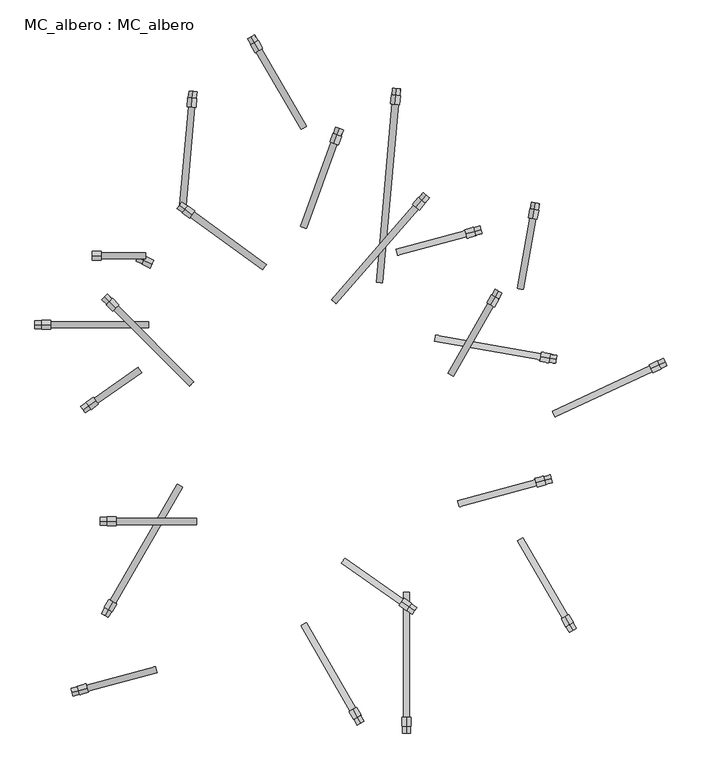
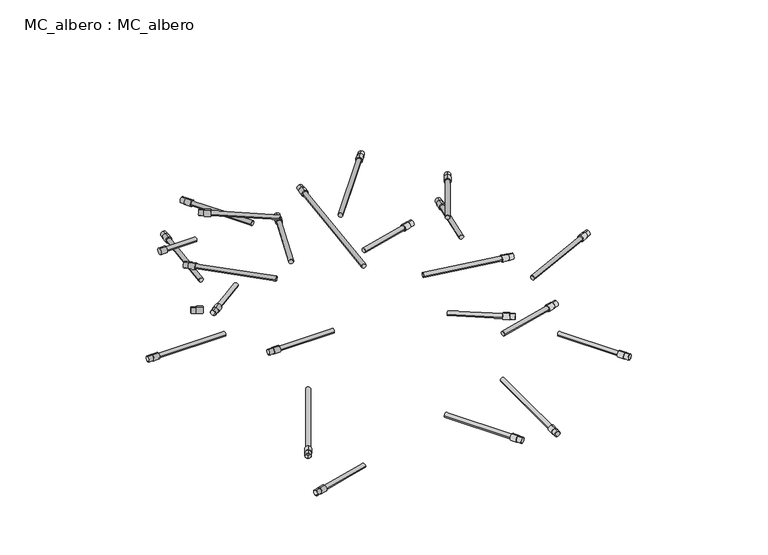
"""IFC4 building model written with IfcOpenShell, lengths in millimetres: proxy geometry, MC_albero : MC_albero."""

from ifc_helpers import new_model, si_unit, point, frame, frame_2d, origin, place, context, project, spatial, circle_curve, trimmed, segment, composite_curve, outline, extrude, source, transform, mapped, element, save


def mc_albero_mc_albero_f0767c21(model_context):
    return source(origin(), model_context, "Body", "SweptSolid", [
        extrude(outline(composite_curve([segment(trimmed(circle_curve(frame_2d((353.9264387, 609.4441846)), 10.0), [point((353.9264387, 619.4441846))], [point((353.9264387, 599.4441846))], False, "CARTESIAN"), True, "CONTINUOUS"), segment(trimmed(circle_curve(frame_2d((353.9264387, 609.4441846)), 10.0), [point((353.9264387, 599.4441846))], [point((353.9264387, 619.4441846))], False, "CARTESIAN"), True, "CONTINUOUS")], self_intersect=False)), frame((-473.1412067, 0.0, 0.0), z_axis=(1.0, 0.0, 0.0), x_axis=(0.0, 1.0, 0.0)), (0.0, 0.0, 1.0), 20.0),
        extrude(outline(composite_curve([segment(trimmed(circle_curve(frame_2d((353.9264387, 609.4441846)), 7.0), [point((360.9264387, 609.4441846))], [point((346.9264387, 609.4441846))], False, "CARTESIAN"), True, "CONTINUOUS"), segment(trimmed(circle_curve(frame_2d((353.9264387, 609.4441846)), 7.0), [point((346.9264387, 609.4441846))], [point((360.9264387, 609.4441846))], False, "CARTESIAN"), True, "CONTINUOUS")], self_intersect=False)), frame((-453.1412067, 0.0, 0.0), z_axis=(1.0, 0.0, 0.0), x_axis=(0.0, 1.0, 0.0)), (0.0, 0.0, 1.0), 100.0),
        extrude(outline(composite_curve([segment(trimmed(circle_curve(frame_2d((0.0, -9.0)), 9.0), [point((0.0, -18.0))], [point((0.0, 0.0))], False, "CARTESIAN"), True, "CONTINUOUS"), segment(trimmed(circle_curve(frame_2d((0.0, -9.0)), 9.0), [point((0.0, 0.0))], [point((0.0, -18.0))], False, "CARTESIAN"), True, "CONTINUOUS")], self_intersect=False), holes=[composite_curve([segment(trimmed(circle_curve(frame_2d((0.0, -9.0)), 8.5), [point((0.0, -17.5))], [point((0.0, -0.5))], True, "CARTESIAN"), True, "CONTINUOUS"), segment(trimmed(circle_curve(frame_2d((0.0, -9.0)), 8.5), [point((0.0, -0.5))], [point((0.0, -17.5))], True, "CARTESIAN"), True, "CONTINUOUS")], self_intersect=False)]), frame((-434.576294, 251.5137629, 600.4441846), z_axis=(-0.707106781186546, 0.7071067811865491, 0.0), x_axis=(0.7071067811865491, 0.707106781186546, 0.0)), (0.0, 0.0, 1.0), 15.0),
        extrude(outline(composite_curve([segment(trimmed(circle_curve(frame_2d((0.0, -10.0)), 10.0), [point((0.0, -20.0))], [point((0.0, 0.0))], False, "CARTESIAN"), True, "CONTINUOUS"), segment(trimmed(circle_curve(frame_2d((0.0, -10.0)), 10.0), [point((0.0, 0.0))], [point((0.0, -20.0))], False, "CARTESIAN"), True, "CONTINUOUS")], self_intersect=False)), frame((-420.4341584, 237.3716273, 599.4441846), z_axis=(-0.707106781186546, 0.7071067811865491, 0.0), x_axis=(0.7071067811865491, 0.707106781186546, 0.0)), (0.0, 0.0, 1.0), 20.0),
        extrude(outline(composite_curve([segment(trimmed(circle_curve(frame_2d((0.0, -7.0)), 7.0), [point((0.0, -14.0))], [point((0.0, 0.0))], False, "CARTESIAN"), True, "CONTINUOUS"), segment(trimmed(circle_curve(frame_2d((0.0, -7.0)), 7.0), [point((0.0, 0.0))], [point((0.0, -14.0))], False, "CARTESIAN"), True, "CONTINUOUS")], self_intersect=False)), frame((-255.6782784, 62.7162524, 609.4441846), z_axis=(-0.707106781186546, 0.7071067811865491, 0.0), x_axis=(0.0, 0.0, -1.0)), (0.0, 0.0, 1.0), 240.0),
        extrude(outline(composite_curve([segment(trimmed(circle_curve(frame_2d((0.0, -9.0)), 9.0), [point((0.0, -18.0))], [point((0.0, 0.0))], False, "CARTESIAN"), True, "CONTINUOUS"), segment(trimmed(circle_curve(frame_2d((0.0, -9.0)), 9.0), [point((0.0, 0.0))], [point((0.0, -18.0))], False, "CARTESIAN"), True, "CONTINUOUS")], self_intersect=False), holes=[composite_curve([segment(trimmed(circle_curve(frame_2d((0.0, -9.0)), 8.5), [point((0.0, -17.5))], [point((0.0, -0.5))], True, "CARTESIAN"), True, "CONTINUOUS"), segment(trimmed(circle_curve(frame_2d((0.0, -9.0)), 8.5), [point((0.0, -0.5))], [point((0.0, -17.5))], True, "CARTESIAN"), True, "CONTINUOUS")], self_intersect=False)]), frame((428.8269649, 261.5766042, 600.4441846), z_axis=(0.5000000000000008, 0.8660254037844383, 0.0), x_axis=(0.8660254037844383, -0.5000000000000008, 0.0)), (0.0, 0.0, 1.0), 15.0),
        extrude(outline(composite_curve([segment(trimmed(circle_curve(frame_2d((0.0, -10.0)), 10.0), [point((0.0, -20.0))], [point((0.0, 0.0))], False, "CARTESIAN"), True, "CONTINUOUS"), segment(trimmed(circle_curve(frame_2d((0.0, -10.0)), 10.0), [point((0.0, 0.0))], [point((0.0, -20.0))], False, "CARTESIAN"), True, "CONTINUOUS")], self_intersect=False)), frame((418.8269649, 244.2560961, 599.4441846), z_axis=(0.5000000000000008, 0.8660254037844383, 0.0), x_axis=(0.8660254037844383, -0.5000000000000008, 0.0)), (0.0, 0.0, 1.0), 20.0),
        extrude(outline(composite_curve([segment(trimmed(circle_curve(frame_2d((0.0, -7.0000001)), 7.0), [point((0.0, -14.0))], [point((0.0, 0.0))], False, "CARTESIAN"), True, "CONTINUOUS"), segment(trimmed(circle_curve(frame_2d((0.0, -7.0000001)), 7.0), [point((0.0, 0.0))], [point((0.0, -14.0))], False, "CARTESIAN"), True, "CONTINUOUS")], self_intersect=False)), frame((322.764787, 91.8715234, 609.4441846), z_axis=(0.5000000000000008, 0.8660254037844383, 0.0), x_axis=(0.0, 0.0, -1.0)), (0.0, 0.0, 1.0), 180.0),
        extrude(outline(composite_curve([segment(trimmed(circle_curve(frame_2d((0.0, -9.0)), 9.0), [point((0.0, -18.0))], [point((0.0, 0.0))], False, "CARTESIAN"), True, "CONTINUOUS"), segment(trimmed(circle_curve(frame_2d((0.0, -9.0)), 9.0), [point((0.0, 0.0))], [point((0.0, -18.0))], False, "CARTESIAN"), True, "CONTINUOUS")], self_intersect=False), holes=[composite_curve([segment(trimmed(circle_curve(frame_2d((0.0, -9.0)), 8.5), [point((0.0, -17.5))], [point((0.0, -0.5))], True, "CARTESIAN"), True, "CONTINUOUS"), segment(trimmed(circle_curve(frame_2d((0.0, -9.0)), 8.5), [point((0.0, -0.5))], [point((0.0, -17.5))], True, "CARTESIAN"), True, "CONTINUOUS")], self_intersect=False)]), frame((248.1453079, -439.8891379, 600.4441846), z_axis=(-0.8191520442889905, 0.5735764363510482, 0.0), x_axis=(0.5735764363510482, 0.8191520442889905, 0.0)), (0.0, 0.0, 1.0), 15.0),
        extrude(outline(composite_curve([segment(trimmed(circle_curve(frame_2d((0.0, -10.0)), 10.0), [point((0.0, -20.0))], [point((0.0, 0.0))], False, "CARTESIAN"), True, "CONTINUOUS"), segment(trimmed(circle_curve(frame_2d((0.0, -10.0)), 10.0), [point((0.0, 0.0))], [point((0.0, -20.0))], False, "CARTESIAN"), True, "CONTINUOUS")], self_intersect=False)), frame((235.8580272, -431.2854914, 599.4441846), z_axis=(-0.8191520442889905, 0.5735764363510482, 0.0), x_axis=(0.5735764363510482, 0.8191520442889905, 0.0)), (0.0, 0.0, 1.0), 20.0),
        extrude(outline(composite_curve([segment(trimmed(circle_curve(frame_2d((0.0, -7.0)), 7.0), [point((0.0, -14.0000001))], [point((0.0, 0.0))], False, "CARTESIAN"), True, "CONTINUOUS"), segment(trimmed(circle_curve(frame_2d((0.0, -7.0)), 7.0), [point((0.0, 0.0))], [point((0.0, -14.0000001))], False, "CARTESIAN"), True, "CONTINUOUS")], self_intersect=False)), frame((223.4900214, -414.0798983, 609.4441846), z_axis=(-0.8191520442889905, 0.5735764363510482, 0.0), x_axis=(0.0, 0.0, 1.0)), (0.0, 0.0, 1.0), 160.0),
        extrude(outline(composite_curve([segment(trimmed(circle_curve(frame_2d((-240.0432575, 609.4441846)), 9.0), [point((-240.0432575, 618.4441846))], [point((-240.0432575, 600.4441846))], False, "CARTESIAN"), True, "CONTINUOUS"), segment(trimmed(circle_curve(frame_2d((-240.0432575, 609.4441846)), 9.0), [point((-240.0432575, 600.4441846))], [point((-240.0432575, 618.4441846))], False, "CARTESIAN"), True, "CONTINUOUS")], self_intersect=False), holes=[composite_curve([segment(trimmed(circle_curve(frame_2d((-240.0432575, 609.4441846)), 8.5), [point((-240.0432575, 617.9441846))], [point((-240.0432575, 600.9441846))], True, "CARTESIAN"), True, "CONTINUOUS"), segment(trimmed(circle_curve(frame_2d((-240.0432575, 609.4441846)), 8.5), [point((-240.0432575, 600.9441846))], [point((-240.0432575, 617.9441846))], True, "CARTESIAN"), True, "CONTINUOUS")], self_intersect=False)]), frame((-455.0041217, 0.0, 0.0), z_axis=(1.0, 0.0, 0.0), x_axis=(0.0, 1.0, 0.0)), (0.0, 0.0, 1.0), 15.0),
        extrude(outline(composite_curve([segment(trimmed(circle_curve(frame_2d((-240.0432575, 609.4441846)), 10.0), [point((-240.0432575, 619.4441846))], [point((-240.0432575, 599.4441846))], False, "CARTESIAN"), True, "CONTINUOUS"), segment(trimmed(circle_curve(frame_2d((-240.0432575, 609.4441846)), 10.0), [point((-240.0432575, 599.4441846))], [point((-240.0432575, 619.4441846))], False, "CARTESIAN"), True, "CONTINUOUS")], self_intersect=False)), frame((-440.0041217, 0.0, 0.0), z_axis=(1.0, 0.0, 0.0), x_axis=(0.0, 1.0, 0.0)), (0.0, 0.0, 1.0), 20.0),
        extrude(outline(composite_curve([segment(trimmed(circle_curve(frame_2d((-240.0432575, 609.4441846)), 7.0), [point((-233.0432575, 609.4441846))], [point((-247.0432575, 609.4441846))], False, "CARTESIAN"), True, "CONTINUOUS"), segment(trimmed(circle_curve(frame_2d((-240.0432575, 609.4441846)), 7.0), [point((-247.0432575, 609.4441846))], [point((-233.0432575, 609.4441846))], False, "CARTESIAN"), True, "CONTINUOUS")], self_intersect=False)), frame((-420.0041217, 0.0, 0.0), z_axis=(1.0, 0.0, 0.0), x_axis=(0.0, 1.0, 0.0)), (0.0, 0.0, 1.0), 180.0),
        extrude(outline(composite_curve([segment(trimmed(circle_curve(frame_2d((0.0, -9.0)), 9.0), [point((0.0, -18.0))], [point((0.0, 0.0))], False, "CARTESIAN"), True, "CONTINUOUS"), segment(trimmed(circle_curve(frame_2d((0.0, -9.0)), 9.0), [point((0.0, 0.0))], [point((0.0, -18.0))], False, "CARTESIAN"), True, "CONTINUOUS")], self_intersect=False), holes=[composite_curve([segment(trimmed(circle_curve(frame_2d((0.0, -9.0)), 8.5), [point((0.0, -17.5))], [point((0.0, -0.5))], True, "CARTESIAN"), True, "CONTINUOUS"), segment(trimmed(circle_curve(frame_2d((0.0, -9.0)), 8.5), [point((0.0, -0.5))], [point((0.0, -17.5))], True, "CARTESIAN"), True, "CONTINUOUS")], self_intersect=False)]), frame((-493.6081969, 9.8199376, 600.4441846), z_axis=(0.8191520442889921, 0.5735764363510456, 0.0), x_axis=(0.5735764363510456, -0.8191520442889921, 0.0)), (0.0, 0.0, 1.0), 15.0),
        extrude(outline(composite_curve([segment(trimmed(circle_curve(frame_2d((0.0, -10.0)), 10.0), [point((0.0, -20.0))], [point((0.0, 0.0))], False, "CARTESIAN"), True, "CONTINUOUS"), segment(trimmed(circle_curve(frame_2d((0.0, -10.0)), 10.0), [point((0.0, 0.0))], [point((0.0, -20.0))], False, "CARTESIAN"), True, "CONTINUOUS")], self_intersect=False)), frame((-481.3209163, 18.4235842, 599.4441846), z_axis=(0.8191520442889921, 0.5735764363510456, 0.0), x_axis=(0.5735764363510456, -0.8191520442889921, 0.0)), (0.0, 0.0, 1.0), 20.0),
        extrude(outline(composite_curve([segment(trimmed(circle_curve(frame_2d((0.0, -7.0)), 7.0), [point((0.0, -14.0))], [point((0.0, 0.0))], False, "CARTESIAN"), True, "CONTINUOUS"), segment(trimmed(circle_curve(frame_2d((0.0, -7.0)), 7.0), [point((0.0, 0.0))], [point((0.0, -14.0))], False, "CARTESIAN"), True, "CONTINUOUS")], self_intersect=False)), frame((-460.9228403, 24.1610486, 609.4441846), z_axis=(0.8191520442889921, 0.5735764363510456, 0.0), x_axis=(0.0, 0.0, 1.0)), (0.0, 0.0, 1.0), 120.0),
        extrude(outline(composite_curve([segment(trimmed(circle_curve(frame_2d((0.0, -9.0)), 9.0), [point((0.0, -18.0))], [point((0.0, 0.0))], False, "CARTESIAN"), True, "CONTINUOUS"), segment(trimmed(circle_curve(frame_2d((0.0, -9.0)), 9.0), [point((0.0, 0.0))], [point((0.0, -18.0))], False, "CARTESIAN"), True, "CONTINUOUS")], self_intersect=False), holes=[composite_curve([segment(trimmed(circle_curve(frame_2d((0.0, -9.0)), 8.5), [point((0.0, -17.5))], [point((0.0, -0.5))], True, "CARTESIAN"), True, "CONTINUOUS"), segment(trimmed(circle_curve(frame_2d((0.0, -9.0)), 8.5), [point((0.0, -0.5))], [point((0.0, -17.5))], True, "CARTESIAN"), True, "CONTINUOUS")], self_intersect=False)]), frame((-265.5700302, 458.1005846, 600.4441846), z_axis=(-0.8090169943749461, 0.5877852522924751, 0.0), x_axis=(0.5877852522924751, 0.8090169943749461, 0.0)), (0.0, 0.0, 1.0), 15.0),
        extrude(outline(composite_curve([segment(trimmed(circle_curve(frame_2d((0.0, -10.0)), 10.0), [point((0.0, -20.0))], [point((0.0, 0.0))], False, "CARTESIAN"), True, "CONTINUOUS"), segment(trimmed(circle_curve(frame_2d((0.0, -10.0)), 10.0), [point((0.0, 0.0))], [point((0.0, -20.0))], False, "CARTESIAN"), True, "CONTINUOUS")], self_intersect=False)), frame((-249.3896903, 446.3448795, 599.4441846), z_axis=(-0.8090169943749461, 0.5877852522924751, 0.0), x_axis=(0.5877852522924751, 0.8090169943749461, 0.0)), (0.0, 0.0, 1.0), 20.0),
        extrude(outline(composite_curve([segment(trimmed(circle_curve(frame_2d((0.0, -7.0)), 7.0), [point((0.0, -14.0))], [point((0.0, 0.0))], False, "CARTESIAN"), True, "CONTINUOUS"), segment(trimmed(circle_curve(frame_2d((0.0, -7.0)), 7.0), [point((0.0, 0.0))], [point((0.0, -14.0))], False, "CARTESIAN"), True, "CONTINUOUS")], self_intersect=False)), frame((-91.7007882, 323.1247101, 609.4441846), z_axis=(-0.8090169943749461, 0.5877852522924751, 0.0), x_axis=(0.0, 0.0, -1.0)), (0.0, 0.0, 1.0), 200.0),
        extrude(outline(composite_curve([segment(trimmed(circle_curve(frame_2d((0.0, -9.0)), 9.0), [point((0.0, -18.0))], [point((0.0, 0.0))], False, "CARTESIAN"), True, "CONTINUOUS"), segment(trimmed(circle_curve(frame_2d((0.0, -9.0)), 9.0), [point((0.0, 0.0))], [point((0.0, -18.0))], False, "CARTESIAN"), True, "CONTINUOUS")], self_intersect=False), holes=[composite_curve([segment(trimmed(circle_curve(frame_2d((0.0, -9.0)), 8.5), [point((0.0, -17.5))], [point((0.0, -0.5))], True, "CARTESIAN"), True, "CONTINUOUS"), segment(trimmed(circle_curve(frame_2d((0.0, -9.0)), 8.5), [point((0.0, -0.5))], [point((0.0, -17.5))], True, "CARTESIAN"), True, "CONTINUOUS")], self_intersect=False)]), frame((264.5228444, 477.926637, 600.4441846), z_axis=(0.656059028990508, 0.7547095802227715, 0.0), x_axis=(0.7547095802227715, -0.656059028990508, 0.0)), (0.0, 0.0, 1.0), 15.0),
        extrude(outline(composite_curve([segment(trimmed(circle_curve(frame_2d((0.0, -10.0)), 10.0), [point((0.0, -20.0))], [point((0.0, 0.0))], False, "CARTESIAN"), True, "CONTINUOUS"), segment(trimmed(circle_curve(frame_2d((0.0, -10.0)), 10.0), [point((0.0, 0.0))], [point((0.0, -20.0))], False, "CARTESIAN"), True, "CONTINUOUS")], self_intersect=False)), frame((251.4016638, 462.8324454, 599.4441846), z_axis=(0.656059028990508, 0.7547095802227715, 0.0), x_axis=(0.7547095802227715, -0.656059028990508, 0.0)), (0.0, 0.0, 1.0), 20.0),
        extrude(outline(composite_curve([segment(trimmed(circle_curve(frame_2d((0.0, -7.0)), 7.0), [point((0.0, -14.0))], [point((0.0, 0.0))], False, "CARTESIAN"), True, "CONTINUOUS"), segment(trimmed(circle_curve(frame_2d((0.0, -7.0)), 7.0), [point((0.0, 0.0))], [point((0.0, -14.0))], False, "CARTESIAN"), True, "CONTINUOUS")], self_intersect=False)), frame((62.4221686, 256.1061761, 609.4441846), z_axis=(0.656059028990508, 0.7547095802227715, 0.0), x_axis=(0.0, 0.0, -1.0)), (0.0, 0.0, 1.0), 280.0),
        extrude(outline(composite_curve([segment(trimmed(circle_curve(frame_2d((0.0, -9.0)), 9.0), [point((0.0, -18.0))], [point((0.0, 0.0))], False, "CARTESIAN"), True, "CONTINUOUS"), segment(trimmed(circle_curve(frame_2d((0.0, -9.0)), 9.0), [point((0.0, 0.0))], [point((0.0, -18.0))], False, "CARTESIAN"), True, "CONTINUOUS")], self_intersect=False), holes=[composite_curve([segment(trimmed(circle_curve(frame_2d((0.0, -9.0)), 8.5), [point((0.0, -17.5))], [point((0.0, -0.5))], True, "CARTESIAN"), True, "CONTINUOUS"), segment(trimmed(circle_curve(frame_2d((0.0, -9.0)), 8.5), [point((0.0, -0.5))], [point((0.0, -17.5))], True, "CARTESIAN"), True, "CONTINUOUS")], self_intersect=False)]), frame((-110.0, 830.5255888, 360.4441846), z_axis=(-0.4999999999999953, 0.8660254037844414, 0.0), x_axis=(0.8660254037844414, 0.4999999999999953, 0.0)), (0.0, 0.0, 1.0), 15.0),
        extrude(outline(composite_curve([segment(trimmed(circle_curve(frame_2d((0.0, -10.0)), 10.0), [point((0.0, -20.0))], [point((0.0, 0.0))], False, "CARTESIAN"), True, "CONTINUOUS"), segment(trimmed(circle_curve(frame_2d((0.0, -10.0)), 10.0), [point((0.0, 0.0))], [point((0.0, -20.0))], False, "CARTESIAN"), True, "CONTINUOUS")], self_intersect=False)), frame((-100.0, 813.2050808, 359.4441846), z_axis=(-0.4999999999999953, 0.8660254037844414, 0.0), x_axis=(0.8660254037844414, 0.4999999999999953, 0.0)), (0.0, 0.0, 1.0), 20.0),
        extrude(outline(composite_curve([segment(trimmed(circle_curve(frame_2d((0.0, -7.0)), 7.0), [point((0.0, -14.0))], [point((0.0, 0.0))], False, "CARTESIAN"), True, "CONTINUOUS"), segment(trimmed(circle_curve(frame_2d((0.0, -7.0)), 7.0), [point((0.0, 0.0))], [point((0.0, -14.0))], False, "CARTESIAN"), True, "CONTINUOUS")], self_intersect=False)), frame((-6.0621778, 636.5, 369.4441846), z_axis=(-0.4999999999999953, 0.8660254037844414, 0.0), x_axis=(0.0, 0.0, -1.0)), (0.0, 0.0, 1.0), 200.0),
        extrude(outline(composite_curve([segment(trimmed(circle_curve(frame_2d((0.0, -9.0)), 9.0), [point((0.0, -18.0))], [point((0.0, 0.0))], False, "CARTESIAN"), True, "CONTINUOUS"), segment(trimmed(circle_curve(frame_2d((0.0, -9.0)), 9.0), [point((0.0, 0.0))], [point((0.0, -18.0))], False, "CARTESIAN"), True, "CONTINUOUS")], self_intersect=False), holes=[composite_curve([segment(trimmed(circle_curve(frame_2d((0.0, -9.0)), 8.5), [point((0.0, -17.5))], [point((0.0, -0.5))], True, "CARTESIAN"), True, "CONTINUOUS"), segment(trimmed(circle_curve(frame_2d((0.0, -9.0)), 8.5), [point((0.0, -0.5))], [point((0.0, -17.5))], True, "CARTESIAN"), True, "CONTINUOUS")], self_intersect=False)]), frame((75.2444315, 624.2323766, 360.4441846), z_axis=(0.3420201433256696, 0.9396926207859081, 0.0), x_axis=(0.9396926207859081, -0.3420201433256696, 0.0)), (0.0, 0.0, 1.0), 15.0),
        extrude(outline(composite_curve([segment(trimmed(circle_curve(frame_2d((0.0, -10.0)), 10.0), [point((0.0, -20.0))], [point((0.0, 0.0))], False, "CARTESIAN"), True, "CONTINUOUS"), segment(trimmed(circle_curve(frame_2d((0.0, -10.0)), 10.0), [point((0.0, 0.0))], [point((0.0, -20.0))], False, "CARTESIAN"), True, "CONTINUOUS")], self_intersect=False)), frame((68.4040287, 605.4385242, 359.4441846), z_axis=(0.3420201433256696, 0.9396926207859081, 0.0), x_axis=(0.9396926207859081, -0.3420201433256696, 0.0)), (0.0, 0.0, 1.0), 20.0),
        extrude(outline(composite_curve([segment(trimmed(circle_curve(frame_2d((0.0, -7.0)), 7.0), [point((0.0, -13.9999999))], [point((0.0, 0.0))], False, "CARTESIAN"), True, "CONTINUOUS"), segment(trimmed(circle_curve(frame_2d((0.0, -7.0)), 7.0), [point((0.0, 0.0))], [point((0.0, -13.9999999))], False, "CARTESIAN"), True, "CONTINUOUS")], self_intersect=False)), frame((-6.5778483, 419.894141, 369.4441846), z_axis=(0.3420201433256696, 0.9396926207859081, 0.0), x_axis=(0.0, 0.0, -1.0)), (0.0, 0.0, 1.0), 200.0),
        extrude(outline(composite_curve([segment(trimmed(circle_curve(frame_2d((0.0, -9.0)), 9.0), [point((0.0, -18.0))], [point((0.0, 0.0))], False, "CARTESIAN"), True, "CONTINUOUS"), segment(trimmed(circle_curve(frame_2d((0.0, -9.0)), 9.0), [point((0.0, 0.0))], [point((0.0, -18.0))], False, "CARTESIAN"), True, "CONTINUOUS")], self_intersect=False), holes=[composite_curve([segment(trimmed(circle_curve(frame_2d((0.0, -9.0)), 8.5), [point((0.0, -17.5))], [point((0.0, -0.5))], True, "CARTESIAN"), True, "CONTINUOUS"), segment(trimmed(circle_curve(frame_2d((0.0, -9.0)), 8.5), [point((0.0, -0.5))], [point((0.0, -17.5))], True, "CARTESIAN"), True, "CONTINUOUS")], self_intersect=False)]), frame((206.605412, 712.8504105, 360.4441846), z_axis=(0.08715574274765947, 0.9961946980917454, 0.0), x_axis=(0.9961946980917454, -0.08715574274765947, 0.0)), (0.0, 0.0, 1.0), 15.0),
        extrude(outline(composite_curve([segment(trimmed(circle_curve(frame_2d((0.0, -10.0)), 10.0), [point((0.0, -20.0))], [point((0.0, 0.0))], False, "CARTESIAN"), True, "CONTINUOUS"), segment(trimmed(circle_curve(frame_2d((0.0, -10.0)), 10.0), [point((0.0, 0.0))], [point((0.0, -20.0))], False, "CARTESIAN"), True, "CONTINUOUS")], self_intersect=False)), frame((204.8622971, 692.9265165, 359.4441846), z_axis=(0.08715574274765947, 0.9961946980917454, 0.0), x_axis=(0.9961946980917454, -0.08715574274765947, 0.0)), (0.0, 0.0, 1.0), 20.0),
        extrude(outline(composite_curve([segment(trimmed(circle_curve(frame_2d((0.0, -7.0)), 7.0), [point((0.0, -14.0))], [point((0.0, 0.0))], False, "CARTESIAN"), True, "CONTINUOUS"), segment(trimmed(circle_curve(frame_2d((0.0, -7.0)), 7.0), [point((0.0, 0.0))], [point((0.0, -14.0))], False, "CARTESIAN"), True, "CONTINUOUS")], self_intersect=False)), frame((163.0266371, 295.0587275, 369.4441846), z_axis=(0.08715574274765947, 0.9961946980917454, 0.0), x_axis=(0.0, 0.0, -1.0)), (0.0, 0.0, 1.0), 400.0),
        extrude(outline(composite_curve([segment(trimmed(circle_curve(frame_2d((0.0, -9.0)), 9.0), [point((0.0, -18.0))], [point((0.0, 0.0))], False, "CARTESIAN"), True, "CONTINUOUS"), segment(trimmed(circle_curve(frame_2d((0.0, -9.0)), 9.0), [point((0.0, 0.0))], [point((0.0, -18.0))], False, "CARTESIAN"), True, "CONTINUOUS")], self_intersect=False), holes=[composite_curve([segment(trimmed(circle_curve(frame_2d((0.0, -9.0)), 8.5), [point((0.0, -17.5))], [point((0.0, -0.5))], True, "CARTESIAN"), True, "CONTINUOUS"), segment(trimmed(circle_curve(frame_2d((0.0, -9.0)), 8.5), [point((0.0, -0.5))], [point((0.0, -17.5))], True, "CARTESIAN"), True, "CONTINUOUS")], self_intersect=False)]), frame((516.2308981, 457.2653955, 360.4441846), z_axis=(0.17364817766693522, 0.9848077530122072, 0.0), x_axis=(0.9848077530122072, -0.17364817766693522, 0.0)), (0.0, 0.0, 1.0), 15.0),
        extrude(outline(composite_curve([segment(trimmed(circle_curve(frame_2d((0.0, -10.0)), 10.0), [point((0.0, -20.0))], [point((0.0, 0.0))], False, "CARTESIAN"), True, "CONTINUOUS"), segment(trimmed(circle_curve(frame_2d((0.0, -10.0)), 10.0), [point((0.0, 0.0))], [point((0.0, -20.0))], False, "CARTESIAN"), True, "CONTINUOUS")], self_intersect=False)), frame((512.7579345, 437.5692405, 359.4441846), z_axis=(0.17364817766693522, 0.9848077530122072, 0.0), x_axis=(0.9848077530122072, -0.17364817766693522, 0.0)), (0.0, 0.0, 1.0), 20.0),
        extrude(outline(composite_curve([segment(trimmed(circle_curve(frame_2d((0.0, -7.0)), 7.0), [point((0.0, -14.0))], [point((0.0, 0.0))], False, "CARTESIAN"), True, "CONTINUOUS"), segment(trimmed(circle_curve(frame_2d((0.0, -7.0)), 7.0), [point((0.0, 0.0))], [point((0.0, -14.0))], False, "CARTESIAN"), True, "CONTINUOUS")], self_intersect=False)), frame((478.0805718, 281.2155372, 369.4441846), z_axis=(0.17364817766693522, 0.9848077530122072, 0.0), x_axis=(0.0, 0.0, -1.0)), (0.0, 0.0, 1.0), 160.0),
        extrude(outline(composite_curve([segment(trimmed(circle_curve(frame_2d((0.0, -9.0)), 9.0), [point((0.0, -18.0))], [point((0.0, 0.0))], False, "CARTESIAN"), True, "CONTINUOUS"), segment(trimmed(circle_curve(frame_2d((0.0, -9.0)), 9.0), [point((0.0, 0.0))], [point((0.0, -18.0))], False, "CARTESIAN"), True, "CONTINUOUS")], self_intersect=False), holes=[composite_curve([segment(trimmed(circle_curve(frame_2d((0.0, -9.0)), 8.5), [point((0.0, -17.5))], [point((0.0, -0.5))], True, "CARTESIAN"), True, "CONTINUOUS"), segment(trimmed(circle_curve(frame_2d((0.0, -9.0)), 8.5), [point((0.0, -0.5))], [point((0.0, -17.5))], True, "CARTESIAN"), True, "CONTINUOUS")], self_intersect=False)]), frame((602.4742261, -483.5159699, 360.4441846), z_axis=(-0.4999999999999843, 0.8660254037844477, 0.0), x_axis=(0.8660254037844477, 0.4999999999999843, 0.0)), (0.0, 0.0, 1.0), 15.0),
        extrude(outline(composite_curve([segment(trimmed(circle_curve(frame_2d((0.0, -10.0)), 10.0), [point((0.0, -20.0))], [point((0.0, 0.0))], False, "CARTESIAN"), True, "CONTINUOUS"), segment(trimmed(circle_curve(frame_2d((0.0, -10.0)), 10.0), [point((0.0, 0.0))], [point((0.0, -20.0))], False, "CARTESIAN"), True, "CONTINUOUS")], self_intersect=False)), frame((594.9742261, -470.5255888, 359.4441846), z_axis=(-0.4999999999999843, 0.8660254037844477, 0.0), x_axis=(0.8660254037844477, 0.4999999999999843, 0.0)), (0.0, 0.0, 1.0), 20.0),
        extrude(outline(composite_curve([segment(trimmed(circle_curve(frame_2d((0.0, -7.0)), 7.0), [point((0.0, -14.0))], [point((0.0, 0.0))], False, "CARTESIAN"), True, "CONTINUOUS"), segment(trimmed(circle_curve(frame_2d((0.0, -7.0)), 7.0), [point((0.0, 0.0))], [point((0.0, -14.0))], False, "CARTESIAN"), True, "CONTINUOUS")], self_intersect=False)), frame((591.0364039, -449.7050808, 369.4441846), z_axis=(-0.4999999999999843, 0.8660254037844477, 0.0), x_axis=(0.0, 0.0, 1.0)), (0.0, 0.0, 1.0), 200.0),
        extrude(outline(composite_curve([segment(trimmed(circle_curve(frame_2d((0.0, -9.0)), 9.0), [point((0.0, -18.0))], [point((0.0, 0.0))], False, "CARTESIAN"), True, "CONTINUOUS"), segment(trimmed(circle_curve(frame_2d((0.0, -9.0)), 9.0), [point((0.0, 0.0))], [point((0.0, -18.0))], False, "CARTESIAN"), True, "CONTINUOUS")], self_intersect=False), holes=[composite_curve([segment(trimmed(circle_curve(frame_2d((0.0, -9.0)), 8.5), [point((0.0, -17.5))], [point((0.0, -0.5))], True, "CARTESIAN"), True, "CONTINUOUS"), segment(trimmed(circle_curve(frame_2d((0.0, -9.0)), 8.5), [point((0.0, -0.5))], [point((0.0, -17.5))], True, "CARTESIAN"), True, "CONTINUOUS")], self_intersect=False)]), frame((127.5, -690.836478, 360.4441846), z_axis=(-0.4999999999999844, 0.8660254037844477, 0.0), x_axis=(0.8660254037844477, 0.4999999999999844, 0.0)), (0.0, 0.0, 1.0), 15.0),
        extrude(outline(composite_curve([segment(trimmed(circle_curve(frame_2d((0.0, -10.0)), 10.0), [point((0.0, -20.0))], [point((0.0, 0.0))], False, "CARTESIAN"), True, "CONTINUOUS"), segment(trimmed(circle_curve(frame_2d((0.0, -10.0)), 10.0), [point((0.0, 0.0))], [point((0.0, -20.0))], False, "CARTESIAN"), True, "CONTINUOUS")], self_intersect=False)), frame((120.0, -677.8460969, 359.4441846), z_axis=(-0.4999999999999844, 0.8660254037844477, 0.0), x_axis=(0.8660254037844477, 0.4999999999999844, 0.0)), (0.0, 0.0, 1.0), 20.0),
        extrude(outline(composite_curve([segment(trimmed(circle_curve(frame_2d((0.0, -7.0)), 7.0), [point((0.0, -14.0))], [point((0.0, 0.0))], False, "CARTESIAN"), True, "CONTINUOUS"), segment(trimmed(circle_curve(frame_2d((0.0, -7.0)), 7.0), [point((0.0, 0.0))], [point((0.0, -14.0))], False, "CARTESIAN"), True, "CONTINUOUS")], self_intersect=False)), frame((116.0621778, -657.0255888, 369.4441846), z_axis=(-0.4999999999999844, 0.8660254037844477, 0.0), x_axis=(0.0, 0.0, 1.0)), (0.0, 0.0, 1.0), 220.0),
        extrude(outline(composite_curve([segment(trimmed(circle_curve(frame_2d((0.0, -9.0)), 9.0), [point((0.0, -18.0))], [point((0.0, 0.0))], False, "CARTESIAN"), True, "CONTINUOUS"), segment(trimmed(circle_curve(frame_2d((0.0, -9.0)), 9.0), [point((0.0, 0.0))], [point((0.0, -18.0))], False, "CARTESIAN"), True, "CONTINUOUS")], self_intersect=False), holes=[composite_curve([segment(trimmed(circle_curve(frame_2d((0.0, -9.0)), 8.5), [point((0.0, -17.5))], [point((0.0, -0.5))], True, "CARTESIAN"), True, "CONTINUOUS"), segment(trimmed(circle_curve(frame_2d((0.0, -9.0)), 8.5), [point((0.0, -0.5))], [point((0.0, -17.5))], True, "CARTESIAN"), True, "CONTINUOUS")], self_intersect=False)]), frame((-518.3555361, -622.0464803, 360.4441846), z_axis=(0.9659258262890683, 0.2588190451025209, 0.0), x_axis=(0.2588190451025209, -0.9659258262890683, 0.0)), (0.0, 0.0, 1.0), 15.0),
        extrude(outline(composite_curve([segment(trimmed(circle_curve(frame_2d((0.0, -10.0)), 10.0), [point((0.0, -20.0))], [point((0.0, 0.0))], False, "CARTESIAN"), True, "CONTINUOUS"), segment(trimmed(circle_curve(frame_2d((0.0, -10.0)), 10.0), [point((0.0, 0.0))], [point((0.0, -20.0))], False, "CARTESIAN"), True, "CONTINUOUS")], self_intersect=False)), frame((-503.8666487, -618.1641946, 359.4441846), z_axis=(0.9659258262890683, 0.2588190451025209, 0.0), x_axis=(0.2588190451025209, -0.9659258262890683, 0.0)), (0.0, 0.0, 1.0), 20.0),
        extrude(outline(composite_curve([segment(trimmed(circle_curve(frame_2d((0.0, -7.0)), 7.0), [point((0.0, -14.0))], [point((0.0, 0.0))], False, "CARTESIAN"), True, "CONTINUOUS"), segment(trimmed(circle_curve(frame_2d((0.0, -7.0)), 7.0), [point((0.0, 0.0))], [point((0.0, -14.0))], False, "CARTESIAN"), True, "CONTINUOUS")], self_intersect=False)), frame((-482.7363989, -619.7492945, 369.4441846), z_axis=(0.9659258262890683, 0.2588190451025209, 0.0), x_axis=(0.0, 0.0, 1.0)), (0.0, 0.0, 1.0), 160.0),
        extrude(outline(composite_curve([segment(trimmed(circle_curve(frame_2d((0.0, -9.0)), 9.0), [point((0.0, -18.0))], [point((0.0, 0.0))], False, "CARTESIAN"), True, "CONTINUOUS"), segment(trimmed(circle_curve(frame_2d((0.0, -9.0)), 9.0), [point((0.0, 0.0))], [point((0.0, -18.0))], False, "CARTESIAN"), True, "CONTINUOUS")], self_intersect=False), holes=[composite_curve([segment(trimmed(circle_curve(frame_2d((0.0, -9.0)), 8.5), [point((0.0, -17.5))], [point((0.0, -0.5))], True, "CARTESIAN"), True, "CONTINUOUS"), segment(trimmed(circle_curve(frame_2d((0.0, -9.0)), 8.5), [point((0.0, -0.5))], [point((0.0, -17.5))], True, "CARTESIAN"), True, "CONTINUOUS")], self_intersect=False)]), frame((-444.6281292, -450.1185103, 360.4441846), z_axis=(0.5000000000000153, 0.8660254037844298, 0.0), x_axis=(0.8660254037844298, -0.5000000000000153, 0.0)), (0.0, 0.0, 1.0), 15.0),
        extrude(outline(composite_curve([segment(trimmed(circle_curve(frame_2d((0.0, -10.0)), 10.0), [point((0.0, -20.0))], [point((0.0, 0.0))], False, "CARTESIAN"), True, "CONTINUOUS"), segment(trimmed(circle_curve(frame_2d((0.0, -10.0)), 10.0), [point((0.0, 0.0))], [point((0.0, -20.0))], False, "CARTESIAN"), True, "CONTINUOUS")], self_intersect=False)), frame((-437.1281292, -437.1281292, 359.4441846), z_axis=(0.5000000000000153, 0.8660254037844298, 0.0), x_axis=(0.8660254037844298, -0.5000000000000153, 0.0)), (0.0, 0.0, 1.0), 20.0),
        extrude(outline(composite_curve([segment(trimmed(circle_curve(frame_2d((0.0, -7.0)), 7.0), [point((0.0, -14.0))], [point((0.0, 0.0))], False, "CARTESIAN"), True, "CONTINUOUS"), segment(trimmed(circle_curve(frame_2d((0.0, -7.0)), 7.0), [point((0.0, 0.0))], [point((0.0, -14.0))], False, "CARTESIAN"), True, "CONTINUOUS")], self_intersect=False)), frame((-421.0659514, -423.3076211, 369.4441846), z_axis=(0.5000000000000153, 0.8660254037844298, 0.0), x_axis=(0.0, 0.0, 1.0)), (0.0, 0.0, 1.0), 300.0),
        extrude(outline(composite_curve([segment(trimmed(circle_curve(frame_2d((369.4441846, 230.0)), 9.0), [point((378.4441846, 230.0))], [point((360.4441846, 230.0))], False, "CARTESIAN"), True, "CONTINUOUS"), segment(trimmed(circle_curve(frame_2d((369.4441846, 230.0)), 9.0), [point((360.4441846, 230.0))], [point((378.4441846, 230.0))], False, "CARTESIAN"), True, "CONTINUOUS")], self_intersect=False), holes=[composite_curve([segment(trimmed(circle_curve(frame_2d((369.4441846, 230.0)), 8.5), [point((377.9441846, 230.0))], [point((360.9441846, 230.0))], True, "CARTESIAN"), True, "CONTINUOUS"), segment(trimmed(circle_curve(frame_2d((369.4441846, 230.0)), 8.5), [point((360.9441846, 230.0))], [point((377.9441846, 230.0))], True, "CARTESIAN"), True, "CONTINUOUS")], self_intersect=False)]), frame((0.0, -713.3716857, 0.0), z_axis=(0.0, 1.0, 0.0), x_axis=(0.0, 0.0, 1.0)), (0.0, 0.0, 1.0), 15.0),
        extrude(outline(composite_curve([segment(trimmed(circle_curve(frame_2d((369.4441846, 230.0)), 10.0), [point((379.4441846, 230.0))], [point((359.4441846, 230.0))], False, "CARTESIAN"), True, "CONTINUOUS"), segment(trimmed(circle_curve(frame_2d((369.4441846, 230.0)), 10.0), [point((359.4441846, 230.0))], [point((379.4441846, 230.0))], False, "CARTESIAN"), True, "CONTINUOUS")], self_intersect=False)), frame((0.0, -698.3716857, 0.0), z_axis=(0.0, 1.0, 0.0), x_axis=(0.0, 0.0, 1.0)), (0.0, 0.0, 1.0), 20.0),
        extrude(outline(composite_curve([segment(trimmed(circle_curve(frame_2d((369.4441846, 230.0)), 7.0), [point((369.4441846, 223.0))], [point((369.4441846, 237.0))], False, "CARTESIAN"), True, "CONTINUOUS"), segment(trimmed(circle_curve(frame_2d((369.4441846, 230.0)), 7.0), [point((369.4441846, 237.0))], [point((369.4441846, 223.0))], False, "CARTESIAN"), True, "CONTINUOUS")], self_intersect=False)), frame((0.0, -678.3716857, 0.0), z_axis=(0.0, 1.0, 0.0), x_axis=(0.0, 0.0, 1.0)), (0.0, 0.0, 1.0), 280.0),
        extrude(outline(composite_curve([segment(trimmed(circle_curve(frame_2d((0.0, -9.0)), 9.0), [point((0.0, -18.0))], [point((0.0, 0.0))], False, "CARTESIAN"), True, "CONTINUOUS"), segment(trimmed(circle_curve(frame_2d((0.0, -9.0)), 9.0), [point((0.0, 0.0))], [point((0.0, -18.0))], False, "CARTESIAN"), True, "CONTINUOUS")], self_intersect=False), holes=[composite_curve([segment(trimmed(circle_curve(frame_2d((0.0, -9.0)), 8.5), [point((0.0, -17.5))], [point((0.0, -0.5))], True, "CARTESIAN"), True, "CONTINUOUS"), segment(trimmed(circle_curve(frame_2d((0.0, -9.0)), 8.5), [point((0.0, -0.5))], [point((0.0, -17.5))], True, "CARTESIAN"), True, "CONTINUOUS")], self_intersect=False)]), frame((565.2707694, 122.2467511, 360.4441846), z_axis=(-0.9848077530122077, 0.17364817766693327, 0.0), x_axis=(0.17364817766693327, 0.9848077530122077, 0.0)), (0.0, 0.0, 1.0), 15.0),
        extrude(outline(composite_curve([segment(trimmed(circle_curve(frame_2d((0.0, -10.0)), 10.0), [point((0.0, -20.0))], [point((0.0, 0.0))], False, "CARTESIAN"), True, "CONTINUOUS"), segment(trimmed(circle_curve(frame_2d((0.0, -10.0)), 10.0), [point((0.0, 0.0))], [point((0.0, -20.0))], False, "CARTESIAN"), True, "CONTINUOUS")], self_intersect=False)), frame((550.4986531, 124.8514738, 359.4441846), z_axis=(-0.9848077530122077, 0.17364817766693327, 0.0), x_axis=(0.17364817766693327, 0.9848077530122077, 0.0)), (0.0, 0.0, 1.0), 20.0),
        extrude(outline(composite_curve([segment(trimmed(circle_curve(frame_2d((0.0, -6.9999999)), 7.0), [point((0.0, -14.0))], [point((0.0, 0.0))], False, "CARTESIAN"), True, "CONTINUOUS"), segment(trimmed(circle_curve(frame_2d((0.0, -6.9999999)), 7.0), [point((0.0, 0.0))], [point((0.0, -14.0))], False, "CARTESIAN"), True, "CONTINUOUS")], self_intersect=False)), frame((532.0180353, 135.2180916, 369.4441846), z_axis=(-0.9848077530122077, 0.17364817766693327, 0.0), x_axis=(0.0, 0.0, 1.0)), (0.0, 0.0, 1.0), 240.0),
        extrude(outline(composite_curve([segment(trimmed(circle_curve(frame_2d((0.0, -9.0)), 9.0), [point((0.0, -18.0))], [point((0.0, 0.0))], False, "CARTESIAN"), True, "CONTINUOUS"), segment(trimmed(circle_curve(frame_2d((0.0, -9.0)), 9.0), [point((0.0, 0.0))], [point((0.0, -18.0))], False, "CARTESIAN"), True, "CONTINUOUS")], self_intersect=False), holes=[composite_curve([segment(trimmed(circle_curve(frame_2d((0.0, -9.0)), 8.5), [point((0.0, -17.5))], [point((0.0, -0.5))], True, "CARTESIAN"), True, "CONTINUOUS"), segment(trimmed(circle_curve(frame_2d((0.0, -9.0)), 8.5), [point((0.0, -0.5))], [point((0.0, -17.5))], True, "CARTESIAN"), True, "CONTINUOUS")], self_intersect=False)]), frame((795.6400246, 109.8807481, 360.4441846), z_axis=(0.9063077870366502, 0.422618261740699, 0.0), x_axis=(0.422618261740699, -0.9063077870366502, 0.0)), (0.0, 0.0, 1.0), 15.0),
        extrude(outline(composite_curve([segment(trimmed(circle_curve(frame_2d((0.0, -10.0)), 10.0), [point((0.0, -20.0))], [point((0.0, 0.0))], False, "CARTESIAN"), True, "CONTINUOUS"), segment(trimmed(circle_curve(frame_2d((0.0, -10.0)), 10.0), [point((0.0, 0.0))], [point((0.0, -20.0))], False, "CARTESIAN"), True, "CONTINUOUS")], self_intersect=False)), frame((777.5138689, 101.4283828, 359.4441846), z_axis=(0.9063077870366502, 0.422618261740699, 0.0), x_axis=(0.422618261740699, -0.9063077870366502, 0.0)), (0.0, 0.0, 1.0), 20.0),
        extrude(outline(composite_curve([segment(trimmed(circle_curve(frame_2d((0.0, -7.0)), 7.0), [point((0.0, -14.0))], [point((0.0, 0.0))], False, "CARTESIAN"), True, "CONTINUOUS"), segment(trimmed(circle_curve(frame_2d((0.0, -7.0)), 7.0), [point((0.0, 0.0))], [point((0.0, -14.0))], False, "CARTESIAN"), True, "CONTINUOUS")], self_intersect=False)), frame((557.0416722, 6.3441545, 369.4441846), z_axis=(0.9063077870366502, 0.422618261740699, 0.0), x_axis=(0.0, 0.0, -1.0)), (0.0, 0.0, 1.0), 240.0),
        extrude(outline(composite_curve([segment(trimmed(circle_curve(frame_2d((200.0, 369.4441846)), 9.0), [point((200.0, 378.4441846))], [point((200.0, 360.4441846))], False, "CARTESIAN"), True, "CONTINUOUS"), segment(trimmed(circle_curve(frame_2d((200.0, 369.4441846)), 9.0), [point((200.0, 360.4441846))], [point((200.0, 378.4441846))], False, "CARTESIAN"), True, "CONTINUOUS")], self_intersect=False), holes=[composite_curve([segment(trimmed(circle_curve(frame_2d((200.0, 369.4441846)), 8.5), [point((200.0, 377.9441846))], [point((200.0, 360.9441846))], True, "CARTESIAN"), True, "CONTINUOUS"), segment(trimmed(circle_curve(frame_2d((200.0, 369.4441846)), 8.5), [point((200.0, 360.9441846))], [point((200.0, 377.9441846))], True, "CARTESIAN"), True, "CONTINUOUS")], self_intersect=False)]), frame((-601.4101615, 0.0, 0.0), z_axis=(1.0, 0.0, 0.0), x_axis=(0.0, 1.0, 0.0)), (0.0, 0.0, 1.0), 15.0),
        extrude(outline(composite_curve([segment(trimmed(circle_curve(frame_2d((200.0, 369.4441846)), 10.0), [point((200.0, 379.4441846))], [point((200.0, 359.4441846))], False, "CARTESIAN"), True, "CONTINUOUS"), segment(trimmed(circle_curve(frame_2d((200.0, 369.4441846)), 10.0), [point((200.0, 359.4441846))], [point((200.0, 379.4441846))], False, "CARTESIAN"), True, "CONTINUOUS")], self_intersect=False)), frame((-586.4101615, 0.0, 0.0), z_axis=(1.0, 0.0, 0.0), x_axis=(0.0, 1.0, 0.0)), (0.0, 0.0, 1.0), 20.0),
        extrude(outline(composite_curve([segment(trimmed(circle_curve(frame_2d((200.0, 369.4441846)), 7.0), [point((207.0, 369.4441846))], [point((193.0, 369.4441846))], False, "CARTESIAN"), True, "CONTINUOUS"), segment(trimmed(circle_curve(frame_2d((200.0, 369.4441846)), 7.0), [point((193.0, 369.4441846))], [point((207.0, 369.4441846))], False, "CARTESIAN"), True, "CONTINUOUS")], self_intersect=False)), frame((-566.4101615, 0.0, 0.0), z_axis=(1.0, 0.0, 0.0), x_axis=(0.0, 1.0, 0.0)), (0.0, 0.0, 1.0), 220.0),
        extrude(outline(composite_curve([segment(trimmed(circle_curve(frame_2d((0.0, -9.0)), 9.0), [point((0.0, -18.0))], [point((0.0, 0.0))], False, "CARTESIAN"), True, "CONTINUOUS"), segment(trimmed(circle_curve(frame_2d((0.0, -9.0)), 9.0), [point((0.0, 0.0))], [point((0.0, -18.0))], False, "CARTESIAN"), True, "CONTINUOUS")], self_intersect=False), holes=[composite_curve([segment(trimmed(circle_curve(frame_2d((0.0, -9.0)), 8.5), [point((0.0, -17.5))], [point((0.0, -0.5))], True, "CARTESIAN"), True, "CONTINUOUS"), segment(trimmed(circle_curve(frame_2d((0.0, -9.0)), 8.5), [point((0.0, -0.5))], [point((0.0, -17.5))], True, "CARTESIAN"), True, "CONTINUOUS")], self_intersect=False)]), frame((-249.0826217, 706.7404456, 360.4441846), z_axis=(0.08715574274765944, 0.9961946980917454, 0.0), x_axis=(0.9961946980917454, -0.08715574274765944, 0.0)), (0.0, 0.0, 1.0), 15.0),
        extrude(outline(composite_curve([segment(trimmed(circle_curve(frame_2d((0.0, -10.0)), 10.0), [point((0.0, -20.0))], [point((0.0, 0.0))], False, "CARTESIAN"), True, "CONTINUOUS"), segment(trimmed(circle_curve(frame_2d((0.0, -10.0)), 10.0), [point((0.0, 0.0))], [point((0.0, -20.0))], False, "CARTESIAN"), True, "CONTINUOUS")], self_intersect=False)), frame((-250.8257366, 686.8165516, 359.4441846), z_axis=(0.08715574274765944, 0.9961946980917454, 0.0), x_axis=(0.9961946980917454, -0.08715574274765944, 0.0)), (0.0, 0.0, 1.0), 20.0),
        extrude(outline(composite_curve([segment(trimmed(circle_curve(frame_2d((0.0, -7.0)), 7.0), [point((0.0, -14.0))], [point((0.0, 0.0))], False, "CARTESIAN"), True, "CONTINUOUS"), segment(trimmed(circle_curve(frame_2d((0.0, -7.0)), 7.0), [point((0.0, 0.0))], [point((0.0, -14.0))], False, "CARTESIAN"), True, "CONTINUOUS")], self_intersect=False)), frame((-276.9733629, 468.2638082, 369.4441846), z_axis=(0.08715574274765944, 0.9961946980917454, 0.0), x_axis=(0.0, 0.0, -1.0)), (0.0, 0.0, 1.0), 220.0),
        extrude(outline(composite_curve([segment(trimmed(circle_curve(frame_2d((0.0, -9.0)), 9.0), [point((0.0, -18.0))], [point((0.0, 0.0))], False, "CARTESIAN"), True, "CONTINUOUS"), segment(trimmed(circle_curve(frame_2d((0.0, -9.0)), 9.0), [point((0.0, 0.0))], [point((0.0, -18.0))], False, "CARTESIAN"), True, "CONTINUOUS")], self_intersect=False), holes=[composite_curve([segment(trimmed(circle_curve(frame_2d((0.0, -9.0)), 8.5), [point((0.0, -17.5))], [point((0.0, -0.5))], True, "CARTESIAN"), True, "CONTINUOUS"), segment(trimmed(circle_curve(frame_2d((0.0, -9.0)), 8.5), [point((0.0, -0.5))], [point((0.0, -17.5))], True, "CARTESIAN"), True, "CONTINUOUS")], self_intersect=False)]), frame((539.5953268, -148.236191, 360.4441846), z_axis=(0.9659258262890684, 0.25881904510252046, 0.0), x_axis=(0.25881904510252046, -0.9659258262890684, 0.0)), (0.0, 0.0, 1.0), 15.0),
        extrude(outline(composite_curve([segment(trimmed(circle_curve(frame_2d((0.0, -10.0)), 10.0), [point((0.0, -20.0))], [point((0.0, 0.0))], False, "CARTESIAN"), True, "CONTINUOUS"), segment(trimmed(circle_curve(frame_2d((0.0, -10.0)), 10.0), [point((0.0, 0.0))], [point((0.0, -20.0))], False, "CARTESIAN"), True, "CONTINUOUS")], self_intersect=False)), frame((520.2768102, -153.4125719, 359.4441846), z_axis=(0.9659258262890684, 0.25881904510252046, 0.0), x_axis=(0.25881904510252046, -0.9659258262890684, 0.0)), (0.0, 0.0, 1.0), 20.0),
        extrude(outline(composite_curve([segment(trimmed(circle_curve(frame_2d((0.0, -7.0)), 7.0), [point((0.0, -14.0))], [point((0.0, 0.0))], False, "CARTESIAN"), True, "CONTINUOUS"), segment(trimmed(circle_curve(frame_2d((0.0, -7.0)), 7.0), [point((0.0, 0.0))], [point((0.0, -14.0))], False, "CARTESIAN"), True, "CONTINUOUS")], self_intersect=False)), frame((344.5984282, -193.2385192, 369.4441846), z_axis=(0.9659258262890684, 0.25881904510252046, 0.0), x_axis=(0.0, 0.0, -1.0)), (0.0, 0.0, 1.0), 180.0),
        extrude(outline(composite_curve([segment(trimmed(circle_curve(frame_2d((0.0, -9.0)), 9.0), [point((0.0, -18.0))], [point((0.0, 0.0))], False, "CARTESIAN"), True, "CONTINUOUS"), segment(trimmed(circle_curve(frame_2d((0.0, -9.0)), 9.0), [point((0.0, 0.0))], [point((0.0, -18.0))], False, "CARTESIAN"), True, "CONTINUOUS")], self_intersect=False), holes=[composite_curve([segment(trimmed(circle_curve(frame_2d((0.0, -9.0)), 8.5), [point((0.0, -17.5))], [point((0.0, -0.5))], True, "CARTESIAN"), True, "CONTINUOUS"), segment(trimmed(circle_curve(frame_2d((0.0, -9.0)), 8.5), [point((0.0, -0.5))], [point((0.0, -17.5))], True, "CARTESIAN"), True, "CONTINUOUS")], self_intersect=False)]), frame((382.6166487, 408.1530342, 360.4441846), z_axis=(0.9659258262890683, 0.2588190451025206, 0.0), x_axis=(0.2588190451025206, -0.9659258262890683, 0.0)), (0.0, 0.0, 1.0), 15.0),
        extrude(outline(composite_curve([segment(trimmed(circle_curve(frame_2d((0.0, -10.0)), 10.0), [point((0.0, -20.0))], [point((0.0, 0.0))], False, "CARTESIAN"), True, "CONTINUOUS"), segment(trimmed(circle_curve(frame_2d((0.0, -10.0)), 10.0), [point((0.0, 0.0))], [point((0.0, -20.0))], False, "CARTESIAN"), True, "CONTINUOUS")], self_intersect=False)), frame((363.2981322, 402.9766533, 359.4441846), z_axis=(0.9659258262890683, 0.2588190451025206, 0.0), x_axis=(0.2588190451025206, -0.9659258262890683, 0.0)), (0.0, 0.0, 1.0), 20.0),
        extrude(outline(composite_curve([segment(trimmed(circle_curve(frame_2d((0.0, -7.0)), 7.0), [point((0.0, -14.0))], [point((0.0, 0.0))], False, "CARTESIAN"), True, "CONTINUOUS"), segment(trimmed(circle_curve(frame_2d((0.0, -7.0)), 7.0), [point((0.0, 0.0))], [point((0.0, -14.0))], False, "CARTESIAN"), True, "CONTINUOUS")], self_intersect=False)), frame((206.9382667, 368.3270869, 369.4441846), z_axis=(0.9659258262890683, 0.2588190451025206, 0.0), x_axis=(0.0, 0.0, -1.0)), (0.0, 0.0, 1.0), 160.0),
        extrude(outline(composite_curve([segment(trimmed(circle_curve(frame_2d((0.0, -9.0)), 9.0), [point((0.0, -18.0))], [point((0.0, 0.0))], False, "CARTESIAN"), True, "CONTINUOUS"), segment(trimmed(circle_curve(frame_2d((0.0, -9.0)), 9.0), [point((0.0, 0.0))], [point((0.0, -18.0))], False, "CARTESIAN"), True, "CONTINUOUS")], self_intersect=False), holes=[composite_curve([segment(trimmed(circle_curve(frame_2d((0.0, -9.0)), 8.5), [point((0.0, -17.5))], [point((0.0, -0.5))], True, "CARTESIAN"), True, "CONTINUOUS"), segment(trimmed(circle_curve(frame_2d((0.0, -9.0)), 8.5), [point((0.0, -0.5))], [point((0.0, -17.5))], True, "CARTESIAN"), True, "CONTINUOUS")], self_intersect=False)]), frame((-357.5138689, 343.9154959, 360.4441846), z_axis=(-0.9063077870366488, 0.4226182617407018, 0.0), x_axis=(0.4226182617407018, 0.9063077870366488, 0.0)), (0.0, 0.0, 1.0), 15.0),
        extrude(outline(composite_curve([segment(trimmed(circle_curve(frame_2d((0.0, -10.0)), 10.0), [point((0.0, -20.0))], [point((0.0, 0.0))], False, "CARTESIAN"), True, "CONTINUOUS"), segment(trimmed(circle_curve(frame_2d((0.0, -10.0)), 10.0), [point((0.0, 0.0))], [point((0.0, -20.0))], False, "CARTESIAN"), True, "CONTINUOUS")], self_intersect=False)), frame((-339.3877131, 335.4631306, 359.4441846), z_axis=(-0.9063077870366488, 0.4226182617407018, 0.0), x_axis=(0.4226182617407018, 0.9063077870366488, 0.0)), (0.0, 0.0, 1.0), 20.0),
    ])


if __name__ == "__main__":
    model = new_model("IFC4")
    model_context = context("Model", 3, world=origin())
    ifc_project = project(units=[si_unit("LENGTHUNIT", "METRE", prefix="MILLI")], contexts=[model_context])
    site = spatial("IfcSite", under=ifc_project)
    building = spatial("IfcBuilding", under=site)
    placement = place(None, origin())
    mc_albero_mc_albero_shape = mc_albero_mc_albero_f0767c21(model_context)
    element("IfcBuildingElementProxy", 1, Name="MC_albero : MC_albero", ObjectType="MC_albero : MC_albero", at=placement, inside=building, context=model_context, shape_type="MappedRepresentation", body=[
        mapped(mc_albero_mc_albero_shape, transform((0.0, 0.0, 0.0), x_axis=(1.0, 0.0, 0.0), y_axis=(0.0, 1.0, 0.0), z_axis=(0.0, 0.0, 1.0))),
    ])
    save(model, "model.ifc")
